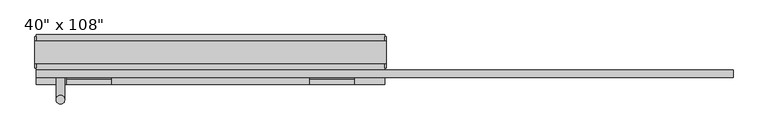
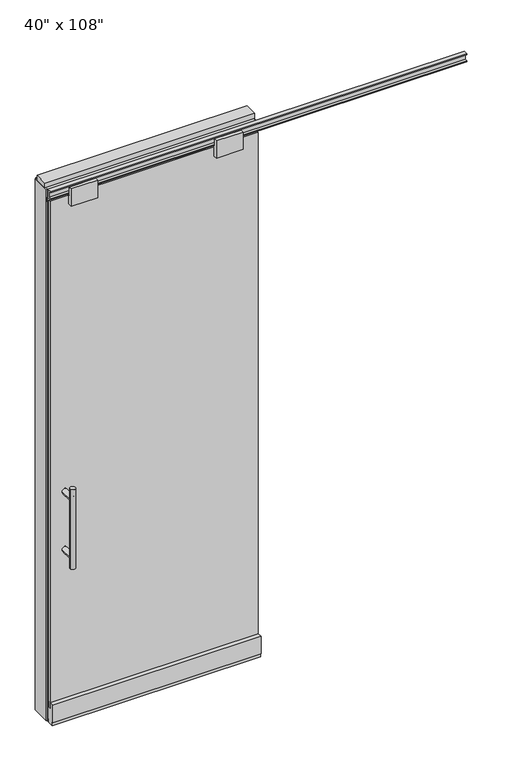
"""IFC4 building model written with IfcOpenShell, lengths in millimetres: furniture geometry."""

from ifc_helpers import new_model, si_unit, frame, origin, origin_with_axes, place, context, project, spatial, polyline, circle_curve, ellipse_curve, outline, extrude, source, transform, mapped, element, save
from ifc_brep_helpers import plane_surface, cylinder_surface, advanced_brep


def furniture_b077fa05(model_context):
    return source(origin(), model_context, "Body", "SolidModel", [
        extrude(outline(polyline([(444.0264771, -74.3677216), (-564.0995229, -74.3677216), (-564.0995229, -64.2077216), (444.0264771, -64.2077216), (444.0264771, -74.3677216)])), frame((0.0, 0.0, 77.851), z_axis=(0.0, 0.0, 1.0), x_axis=(1.0, 0.0, 0.0)), (0.0, 0.0, 1.0), 2592.959),
        advanced_brep(
        [(-506.8225229, 3.3562784, 1219.2), (-481.4225229, 3.3562784, 1219.2), (-506.8225229, 3.3562784, 812.8), (-481.4225229, 3.3562784, 812.8), (-481.4225229, 3.3562784, 1164.336), (-481.4225229, 3.3562784, 867.664), (-506.8225229, 3.3562784, 867.664), (-506.8225229, 3.3562784, 1164.336), (-506.8225229, -64.2077216, 1164.336), (-481.4225229, -64.2077216, 1164.336), (-506.8225229, -64.2077216, 867.664), (-481.4225229, -64.2077216, 867.664)],
        [
            (0, 1, circle_curve(frame((-494.1225229, 3.3562784, 1219.2), z_axis=(0.0, 0.0, 1.0), x_axis=(1.0, 0.0, 0.0)), 12.7)),
            (1, 0, circle_curve(frame((-494.1225229, 3.3562784, 1219.2), z_axis=(0.0, 0.0, 1.0), x_axis=(1.0, 0.0, 0.0)), 12.7)),
            (2, 3, circle_curve(frame((-494.1225229, 3.3562784, 812.8), z_axis=(0.0, 0.0, -1.0), x_axis=(1.0, 0.0, 0.0)), 12.7)),
            (3, 2, circle_curve(frame((-494.1225229, 3.3562784, 812.8), z_axis=(0.0, 0.0, -1.0), x_axis=(1.0, 0.0, 0.0)), 12.7)),
            (1, 4),
            (4, 5),
            (5, 3),
            (2, 6),
            (6, 7),
            (7, 0),
            (6, 5, ellipse_curve(frame((-494.1225229, 3.3562784, 867.664), z_axis=(0.0, 0.707106781186565, 0.70710678118653), x_axis=(0.0, -0.70710678118653, 0.707106781186565)), 17.9605122, 12.7)),
            (4, 7, ellipse_curve(frame((-494.1225229, 3.3562784, 1164.336), z_axis=(0.0, 0.70710678118653, -0.7071067811865649), x_axis=(0.0, 0.7071067811865648, 0.7071067811865301)), 17.9605122, 12.7)),
            (7, 4, ellipse_curve(frame((-494.1225229, 3.3562784, 1164.336), z_axis=(0.0, 0.707106781186565, 0.70710678118653), x_axis=(0.0, -0.70710678118653, 0.707106781186565)), 17.9605122, 12.7)),
            (5, 6, ellipse_curve(frame((-494.1225229, 3.3562784, 867.664), z_axis=(0.0, 0.70710678118653, -0.7071067811865649), x_axis=(0.0, 0.7071067811865648, 0.7071067811865301)), 17.9605122, 12.7)),
            (8, 9, circle_curve(frame((-494.1225229, -64.2077216, 1164.336), z_axis=(0.0, -1.0, 0.0), x_axis=(1.0, 0.0, 0.0)), 12.7)),
            (9, 8, circle_curve(frame((-494.1225229, -64.2077216, 1164.336), z_axis=(0.0, -1.0, 0.0), x_axis=(1.0, 0.0, 0.0)), 12.7)),
            (8, 7),
            (4, 9),
            (10, 11, circle_curve(frame((-494.1225229, -64.2077216, 867.664), z_axis=(0.0, -1.0, 0.0), x_axis=(1.0, 0.0, 0.0)), 12.7)),
            (11, 10, circle_curve(frame((-494.1225229, -64.2077216, 867.664), z_axis=(0.0, -1.0, 0.0), x_axis=(1.0, 0.0, 0.0)), 12.7)),
            (10, 6),
            (5, 11),
        ],
        [
            plane_surface(frame((-481.4225229, 3.3562784, 1219.2), z_axis=(0.0, 0.0, 1.0), x_axis=(0.0, -1.0, 0.0))),
            plane_surface(frame((-481.4225229, 3.3562784, 812.8), z_axis=(0.0, 0.0, -1.0), x_axis=(0.0, 1.0, 0.0))),
            cylinder_surface(frame((-494.1225229, 3.3562784, 812.8), z_axis=(0.0, 0.0, 1.0), x_axis=(1.0, 0.0, 0.0)), 12.7),
            plane_surface(frame((-481.4225229, -64.2077216, 1164.336), z_axis=(0.0, -1.0, 0.0), x_axis=(0.0, 0.0, -1.0))),
            cylinder_surface(frame((-494.1225229, -64.2077216, 1164.336), z_axis=(0.0, 1.0, 0.0), x_axis=(1.0, 0.0, 0.0)), 12.7),
            plane_surface(frame((-481.4225229, -64.2077216, 867.664), z_axis=(0.0, -1.0, 0.0), x_axis=(0.0, 0.0, -1.0))),
            cylinder_surface(frame((-494.1225229, -64.2077216, 867.664), z_axis=(0.0, 1.0, 0.0), x_axis=(1.0, 0.0, 0.0)), 12.7),
        ],
        [
            (0, [[1, 2]]),
            (1, [[3, 4]]),
            (2, [[5, 6, 7, -3, 8, 9, 10, -2]]),
            (2, [[-9, 11, -6, 12]]),
            (2, [[-10, 13, -5, -1]]),
            (2, [[-7, 14, -8, -4]]),
            (3, [[15, 16]]),
            (4, [[17, -12, 18, -15]]),
            (4, [[-18, -13, -17, -16]]),
            (5, [[19, 20]]),
            (6, [[21, -14, 22, -19]]),
            (6, [[-22, -11, -21, -20]]),
        ],
    ),
        advanced_brep(
        [(-506.8225229, -141.9317216, 1219.2), (-481.4225229, -141.9317216, 1219.2), (-506.8225229, -141.9317216, 812.8), (-481.4225229, -141.9317216, 812.8), (-506.8225229, -141.9317216, 1164.336), (-506.8225229, -141.9317216, 867.664), (-481.4225229, -141.9317216, 867.664), (-481.4225229, -141.9317216, 1164.336), (-506.8225229, -74.3677216, 1164.336), (-481.4225229, -74.3677216, 1164.336), (-506.8225229, -74.3677216, 867.664), (-481.4225229, -74.3677216, 867.664)],
        [
            (0, 1, circle_curve(frame((-494.1225229, -141.9317216, 1219.2), z_axis=(0.0, 0.0, 1.0), x_axis=(1.0, 0.0, 0.0)), 12.7)),
            (1, 0, circle_curve(frame((-494.1225229, -141.9317216, 1219.2), z_axis=(0.0, 0.0, 1.0), x_axis=(1.0, 0.0, 0.0)), 12.7)),
            (2, 3, circle_curve(frame((-494.1225229, -141.9317216, 812.8), z_axis=(0.0, 0.0, -1.0), x_axis=(1.0, 0.0, 0.0)), 12.7)),
            (3, 2, circle_curve(frame((-494.1225229, -141.9317216, 812.8), z_axis=(0.0, 0.0, -1.0), x_axis=(1.0, 0.0, 0.0)), 12.7)),
            (0, 4),
            (4, 5),
            (5, 2),
            (3, 6),
            (6, 7),
            (7, 1),
            (7, 4, ellipse_curve(frame((-494.1225229, -141.9317216, 1164.336), z_axis=(0.0, -0.707106781186565, 0.70710678118653), x_axis=(0.0, 0.70710678118653, 0.707106781186565)), 17.9605122, 12.7)),
            (5, 6, ellipse_curve(frame((-494.1225229, -141.9317216, 867.664), z_axis=(0.0, -0.70710678118653, -0.7071067811865649), x_axis=(0.0, -0.7071067811865648, 0.7071067811865301)), 17.9605122, 12.7)),
            (4, 7, ellipse_curve(frame((-494.1225229, -141.9317216, 1164.336), z_axis=(0.0, -0.70710678118653, -0.7071067811865649), x_axis=(0.0, -0.7071067811865648, 0.7071067811865301)), 17.9605122, 12.7)),
            (6, 5, ellipse_curve(frame((-494.1225229, -141.9317216, 867.664), z_axis=(0.0, -0.707106781186565, 0.70710678118653), x_axis=(0.0, 0.70710678118653, 0.707106781186565)), 17.9605122, 12.7)),
            (8, 9, circle_curve(frame((-494.1225229, -74.3677216, 1164.336), z_axis=(0.0, 1.0, 0.0), x_axis=(1.0, 0.0, 0.0)), 12.7)),
            (9, 8, circle_curve(frame((-494.1225229, -74.3677216, 1164.336), z_axis=(0.0, 1.0, 0.0), x_axis=(1.0, 0.0, 0.0)), 12.7)),
            (9, 7),
            (4, 8),
            (10, 11, circle_curve(frame((-494.1225229, -74.3677216, 867.664), z_axis=(0.0, 1.0, 0.0), x_axis=(1.0, 0.0, 0.0)), 12.7)),
            (11, 10, circle_curve(frame((-494.1225229, -74.3677216, 867.664), z_axis=(0.0, 1.0, 0.0), x_axis=(1.0, 0.0, 0.0)), 12.7)),
            (11, 6),
            (5, 10),
        ],
        [
            plane_surface(frame((-481.4225229, -141.9317216, 1219.2), z_axis=(0.0, 0.0, 1.0), x_axis=(0.0, 1.0, 0.0))),
            plane_surface(frame((-481.4225229, -141.9317216, 812.8), z_axis=(0.0, 0.0, -1.0), x_axis=(0.0, -1.0, 0.0))),
            cylinder_surface(frame((-494.1225229, -141.9317216, 812.8), z_axis=(0.0, 0.0, 1.0), x_axis=(1.0, 0.0, 0.0)), 12.7),
            plane_surface(frame((-481.4225229, -74.3677216, 1164.336), z_axis=(0.0, 1.0, 0.0), x_axis=(0.0, 0.0, -1.0))),
            cylinder_surface(frame((-494.1225229, -74.3677216, 1164.336), z_axis=(0.0, -1.0, 0.0), x_axis=(1.0, 0.0, 0.0)), 12.7),
            plane_surface(frame((-481.4225229, -74.3677216, 867.664), z_axis=(0.0, 1.0, 0.0), x_axis=(0.0, 0.0, -1.0))),
            cylinder_surface(frame((-494.1225229, -74.3677216, 867.664), z_axis=(0.0, -1.0, 0.0), x_axis=(1.0, 0.0, 0.0)), 12.7),
        ],
        [
            (0, [[1, 2]]),
            (1, [[3, 4]]),
            (2, [[-1, 5, 6, 7, -4, 8, 9, 10]]),
            (2, [[-2, -10, 11, -5]]),
            (2, [[-3, -7, 12, -8]]),
            (2, [[13, -9, 14, -6]]),
            (3, [[15, 16]]),
            (4, [[-16, 17, -13, 18]]),
            (4, [[-15, -18, -11, -17]]),
            (5, [[19, 20]]),
            (6, [[-20, 21, -12, 22]]),
            (6, [[-19, -22, -14, -21]]),
        ],
    ),
        extrude(outline(polyline([(-63.9537216, 2628.9), (-63.9537216, 2670.81), (-76.2727216, 2670.81), (-76.2727216, 2628.9), (-98.4977216, 2628.9), (-98.4977216, 2717.8), (-83.0037216, 2717.8), (-83.0037216, 2676.779), (-60.3977216, 2676.779), (-60.3977216, 2628.9), (-63.9537216, 2628.9)])), frame((-475.8345229, 0.0, 0.0), z_axis=(1.0, 0.0, 0.0), x_axis=(0.0, 1.0, 0.0)), (0.0, 0.0, 1.0), 128.016),
        extrude(outline(polyline([(-63.9537216, 2628.9), (-63.9537216, 2670.81), (-76.2727216, 2670.81), (-76.2727216, 2628.9), (-98.4977216, 2628.9), (-98.4977216, 2717.8), (-83.0037216, 2717.8), (-83.0037216, 2676.779), (-60.3977216, 2676.779), (-60.3977216, 2628.9), (-63.9537216, 2628.9)])), frame((227.7454771, 0.0, 0.0), z_axis=(1.0, 0.0, 0.0), x_axis=(0.0, 1.0, 0.0)), (0.0, 0.0, 1.0), 128.016),
        extrude(outline(polyline([(-77.9237216, 2681.478), (-77.9237216, 2686.812), (-65.2237216, 2686.812), (-65.2237216, 2715.768), (-77.9237216, 2715.768), (-77.9237216, 2721.102), (-56.2067216, 2721.102), (-56.2067216, 2681.478), (-77.9237216, 2681.478)])), frame((-564.0995229, 0.0, 0.0), z_axis=(1.0, 0.0, 0.0), x_axis=(0.0, 1.0, 0.0)), (0.0, 0.0, 1.0), 2016.252),
        extrude(outline(polyline([(-74.8757216, 77.851), (-63.9537216, 77.851), (-63.9537216, 105.664), (-60.3977216, 105.664), (-60.3977216, 16.764), (-64.2077216, 16.764), (-64.2077216, 0.0), (-93.2907216, 0.0), (-93.2907216, 16.764), (-97.1007216, 16.764), (-97.1007216, 105.664), (-74.8757216, 105.664), (-74.8757216, 77.851)])), frame((-564.0995229, 0.0, 0.0), z_axis=(1.0, 0.0, 0.0), x_axis=(0.0, 1.0, 0.0)), (0.0, 0.0, 1.0), 1008.126),
        extrude(outline(polyline([(-564.0995229, -55.3177216), (-564.0995229, 46.2822784), (444.0264771, 46.2822784), (444.0264771, -55.3177216), (-564.0995229, -55.3177216)])), frame((0.0, 0.0, 2654.3), z_axis=(0.0, 0.0, 1.0), x_axis=(1.0, 0.0, 0.0)), (0.0, 0.0, 1.0), 22.225),
        extrude(outline(polyline([(447.9634771, -50.3647216), (444.0264771, -50.3647216), (444.0264771, 41.3292784), (447.9634771, 41.3292784), (447.9634771, -50.3647216)])), origin_with_axes(), (0.0, 0.0, 1.0), 2717.8),
        extrude(outline(polyline([(-568.0365229, -50.3647216), (-568.0365229, 41.3292784), (-564.0995229, 41.3292784), (-564.0995229, -50.3647216), (-568.0365229, -50.3647216)])), origin_with_axes(), (0.0, 0.0, 1.0), 2717.8),
        extrude(outline(polyline([(421.8014771, -55.3177216), (421.8014771, 46.2822784), (444.0264771, 46.2822784), (444.0264771, -55.3177216), (421.8014771, -55.3177216)])), origin_with_axes(), (0.0, 0.0, 1.0), 2654.3),
        extrude(outline(polyline([(-541.8745229, -55.3177216), (-564.0995229, -55.3177216), (-564.0995229, 46.2822784), (-541.8745229, 46.2822784), (-541.8745229, -55.3177216)])), origin_with_axes(), (0.0, 0.0, 1.0), 2654.3),
        extrude(outline(polyline([(-55.3177216, 2681.478), (-55.3177216, 2717.8), (46.2822784, 2717.8), (46.2822784, 2681.478), (41.3292784, 2681.478), (41.3292784, 2676.525), (-50.3647216, 2676.525), (-50.3647216, 2681.478), (-55.3177216, 2681.478)])), frame((-564.0995229, 0.0, 0.0), z_axis=(1.0, 0.0, 0.0), x_axis=(0.0, 1.0, 0.0)), (0.0, 0.0, 1.0), 1008.126),
        extrude(outline(polyline([(-568.0365229, -37.0297216), (-568.0365229, 27.9942784), (447.9634771, 27.9942784), (447.9634771, -37.0297216), (-568.0365229, -37.0297216)])), frame((0.0, 0.0, 2717.8), z_axis=(0.0, 0.0, 1.0), x_axis=(1.0, 0.0, 0.0)), (0.0, 0.0, 1.0), 25.4),
    ])


if __name__ == "__main__":
    model = new_model("IFC4")
    model_context = context("Model", 3, world=origin())
    ifc_project = project(units=[si_unit("LENGTHUNIT", "METRE", prefix="MILLI")], contexts=[model_context])
    site = spatial("IfcSite", under=ifc_project)
    building = spatial("IfcBuilding", under=site)
    placement = place(None, origin())
    furniture_shape = furniture_b077fa05(model_context)
    element("IfcFurniture", 1, ObjectType="40\" x 108\"", at=placement, inside=building, context=model_context, shape_type="MappedRepresentation", body=[
        mapped(furniture_shape, transform((0.0, 0.0, 0.0), x_axis=(1.0, 0.0, 0.0), y_axis=(0.0, 1.0, 0.0), z_axis=(0.0, 0.0, 1.0))),
    ])
    save(model, "model.ifc")
